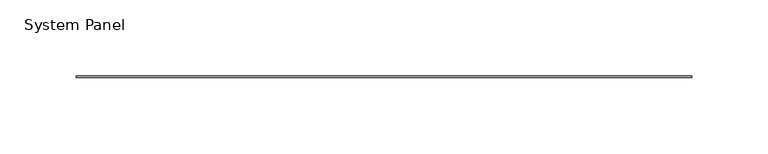
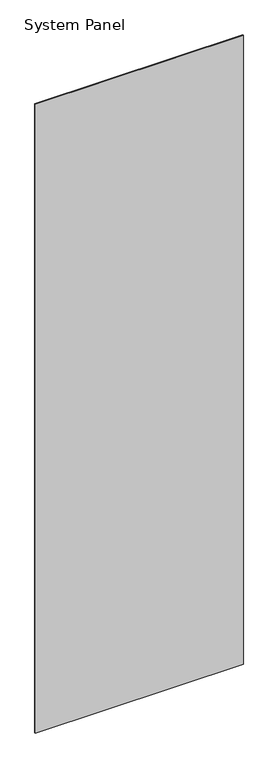
"""IFC4 building model written with IfcOpenShell, lengths in millimetres: plate geometry, System Panel."""

from ifc_helpers import new_model, si_unit, origin, origin_with_axes, place, context, project, spatial, polyline, outline, extrude, source, transform, mapped, element, save


def system_panel_4cfafa77(model_context):
    return source(origin(), model_context, "Body", "SweptSolid", [
        extrude(outline(polyline([(201.5490002, -0.396875), (-201.5490002, -0.396875), (-201.5490002, 0.396875), (201.5490002, 0.396875), (201.5490002, -0.396875)])), origin_with_axes(), (0.0, 0.0, 1.0), 1285.875),
    ])


if __name__ == "__main__":
    model = new_model("IFC4")
    model_context = context("Model", 3, world=origin())
    ifc_project = project(units=[si_unit("LENGTHUNIT", "METRE", prefix="MILLI")], contexts=[model_context])
    site = spatial("IfcSite", under=ifc_project)
    building = spatial("IfcBuilding", under=site)
    placement = place(None, origin())
    system_panel_shape = system_panel_4cfafa77(model_context)
    element("IfcPlate", 1, ObjectType="System Panel", at=placement, inside=building, context=model_context, shape_type="MappedRepresentation", body=[
        mapped(system_panel_shape, transform((0.0, 0.0, 0.0), x_axis=(1.0, 0.0, 0.0), y_axis=(0.0, 1.0, 0.0), z_axis=(0.0, 0.0, 1.0))),
    ])
    save(model, "model.ifc")
